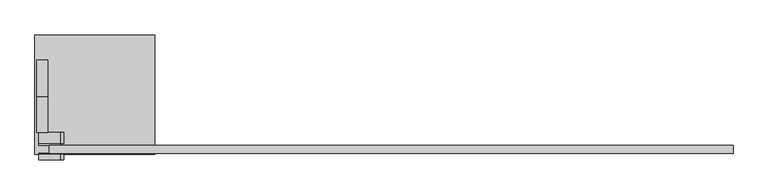
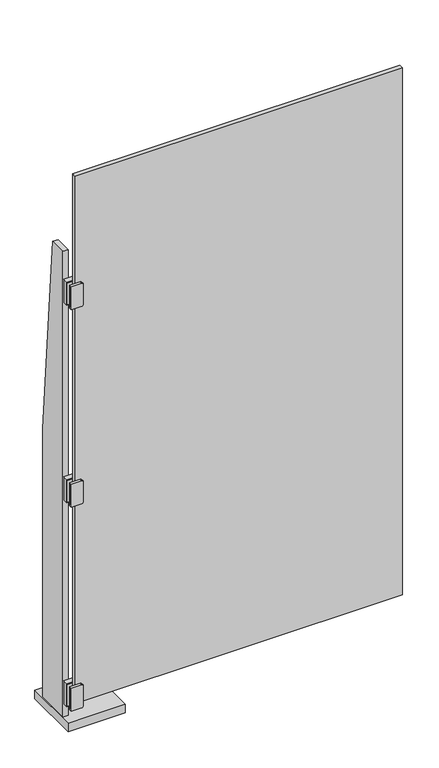
"""IFC4 building model written with IfcOpenShell, lengths in millimetres: plate geometry."""

from ifc_helpers import new_model, si_unit, point, frame, frame_2d, origin, origin_with_axes, place, context, project, spatial, polyline, circle_curve, trimmed, segment, composite_curve, outline, extrude, source, transform, mapped, element, save


def plate_76a5a54a(model_context):
    return source(origin(), model_context, "Body", "SweptSolid", [
        extrude(outline(polyline([(50.8, 1066.8), (50.8, 0.0), (-76.2, 0.0), (-76.2, 1828.8), (-12.7, 1828.8), (50.8, 1066.8)])), frame((-619.1250002, 0.0, 0.0), z_axis=(1.0, 0.0, 0.0), x_axis=(0.0, 1.0, 0.0)), (0.0, 0.0, 1.0), 19.05),
        extrude(outline(composite_curve([segment(polyline([(168.275, -615.9500002), (85.725, -615.9500002), (85.725, -577.8500002)]), True, "CONTINUOUS"), segment(trimmed(circle_curve(frame_2d((88.9, -577.8500002)), 3.175), [point((85.725, -577.8500002))], [point((88.9, -574.6750002))], False, "CARTESIAN"), True, "CONTINUOUS"), segment(polyline([(88.9, -574.6750002), (165.1, -574.6750002)]), True, "CONTINUOUS"), segment(trimmed(circle_curve(frame_2d((165.1, -577.8500002)), 3.175), [point((165.1, -574.6750002))], [point((168.275, -577.8500002))], False, "CARTESIAN"), True, "CONTINUOUS"), segment(polyline([(168.275, -577.8500002), (168.275, -615.9500002)]), True, "CONTINUOUS")], self_intersect=False)), frame((0.0, -114.3, 0.0), z_axis=(0.0, 1.0, 0.0), x_axis=(0.0, 0.0, 1.0)), (0.0, 0.0, 1.0), 1.5875),
        extrude(outline(composite_curve([segment(polyline([(168.275, -615.9500002), (85.725, -615.9500002), (85.725, -577.8500002)]), True, "CONTINUOUS"), segment(trimmed(circle_curve(frame_2d((88.9, -577.8500002)), 3.175), [point((85.725, -577.8500002))], [point((88.9, -574.6750002))], False, "CARTESIAN"), True, "CONTINUOUS"), segment(polyline([(88.9, -574.6750002), (165.1, -574.6750002)]), True, "CONTINUOUS"), segment(trimmed(circle_curve(frame_2d((165.1, -577.8500002)), 3.175), [point((165.1, -574.6750002))], [point((168.275, -577.8500002))], False, "CARTESIAN"), True, "CONTINUOUS"), segment(polyline([(168.275, -577.8500002), (168.275, -615.9500002)]), True, "CONTINUOUS")], self_intersect=False)), frame((0.0, -98.425, 0.0), z_axis=(0.0, 1.0, 0.0), x_axis=(0.0, 0.0, 1.0)), (0.0, 0.0, 1.0), 3.175),
        extrude(outline(composite_curve([segment(trimmed(circle_curve(frame_2d((165.1, -577.8500002)), 6.35), [point((165.1, -571.5000002))], [point((171.45, -577.8500002))], False, "CARTESIAN"), True, "CONTINUOUS"), segment(polyline([(171.45, -577.8500002), (171.45, -615.9500002), (82.55, -615.9500002), (82.55, -577.8500002)]), True, "CONTINUOUS"), segment(trimmed(circle_curve(frame_2d((88.9, -577.8500002)), 6.35), [point((82.55, -577.8500002))], [point((88.9, -571.5000002))], False, "CARTESIAN"), True, "CONTINUOUS"), segment(polyline([(88.9, -571.5000002), (165.1, -571.5000002)]), True, "CONTINUOUS")], self_intersect=False)), frame((0.0, -123.825, 0.0), z_axis=(0.0, 1.0, 0.0), x_axis=(0.0, 0.0, 1.0)), (0.0, 0.0, 1.0), 9.525),
        extrude(outline(composite_curve([segment(trimmed(circle_curve(frame_2d((165.1, -577.8500002)), 6.35), [point((165.1, -571.5000002))], [point((171.45, -577.8500002))], False, "CARTESIAN"), True, "CONTINUOUS"), segment(polyline([(171.45, -577.8500002), (171.45, -615.9500002), (82.55, -615.9500002), (82.55, -577.8500002)]), True, "CONTINUOUS"), segment(trimmed(circle_curve(frame_2d((88.9, -577.8500002)), 6.35), [point((82.55, -577.8500002))], [point((88.9, -571.5000002))], False, "CARTESIAN"), True, "CONTINUOUS"), segment(polyline([(88.9, -571.5000002), (165.1, -571.5000002)]), True, "CONTINUOUS")], self_intersect=False)), frame((0.0, -95.25, 0.0), z_axis=(0.0, 1.0, 0.0), x_axis=(0.0, 0.0, 1.0)), (0.0, 0.0, 1.0), 19.05),
        extrude(outline(polyline([(-412.7500002, 95.25), (-412.7500002, -114.3), (-622.3000002, -114.3), (-622.3000002, 95.25), (-412.7500002, 95.25)])), origin_with_axes(), (0.0, 0.0, 1.0), 31.75),
        extrude(outline(composite_curve([segment(polyline([(1717.675, -615.9500002), (1635.125, -615.9500002), (1635.125, -577.8500002)]), True, "CONTINUOUS"), segment(trimmed(circle_curve(frame_2d((1638.3, -577.8500002)), 3.175), [point((1635.125, -577.8500002))], [point((1638.3, -574.6750002))], False, "CARTESIAN"), True, "CONTINUOUS"), segment(polyline([(1638.3, -574.6750002), (1714.5, -574.6750002)]), True, "CONTINUOUS"), segment(trimmed(circle_curve(frame_2d((1714.5, -577.8500002)), 3.175), [point((1714.5, -574.6750002))], [point((1717.675, -577.8500002))], False, "CARTESIAN"), True, "CONTINUOUS"), segment(polyline([(1717.675, -577.8500002), (1717.675, -615.9500002)]), True, "CONTINUOUS")], self_intersect=False)), frame((0.0, -114.3, 0.0), z_axis=(0.0, 1.0, 0.0), x_axis=(0.0, 0.0, 1.0)), (0.0, 0.0, 1.0), 1.5875),
        extrude(outline(composite_curve([segment(polyline([(1717.675, -615.9500002), (1635.125, -615.9500002), (1635.125, -577.8500002)]), True, "CONTINUOUS"), segment(trimmed(circle_curve(frame_2d((1638.3, -577.8500002)), 3.175), [point((1635.125, -577.8500002))], [point((1638.3, -574.6750002))], False, "CARTESIAN"), True, "CONTINUOUS"), segment(polyline([(1638.3, -574.6750002), (1714.5, -574.6750002)]), True, "CONTINUOUS"), segment(trimmed(circle_curve(frame_2d((1714.5, -577.8500002)), 3.175), [point((1714.5, -574.6750002))], [point((1717.675, -577.8500002))], False, "CARTESIAN"), True, "CONTINUOUS"), segment(polyline([(1717.675, -577.8500002), (1717.675, -615.9500002)]), True, "CONTINUOUS")], self_intersect=False)), frame((0.0, -98.425, 0.0), z_axis=(0.0, 1.0, 0.0), x_axis=(0.0, 0.0, 1.0)), (0.0, 0.0, 1.0), 3.175),
        extrude(outline(composite_curve([segment(trimmed(circle_curve(frame_2d((1714.5, -577.8500002)), 6.35), [point((1714.5, -571.5000002))], [point((1720.85, -577.8500002))], False, "CARTESIAN"), True, "CONTINUOUS"), segment(polyline([(1720.85, -577.8500002), (1720.85, -615.9500002), (1631.95, -615.9500002), (1631.95, -577.8500002)]), True, "CONTINUOUS"), segment(trimmed(circle_curve(frame_2d((1638.3, -577.8500002)), 6.35), [point((1631.95, -577.8500002))], [point((1638.3, -571.5000002))], False, "CARTESIAN"), True, "CONTINUOUS"), segment(polyline([(1638.3, -571.5000002), (1714.5, -571.5000002)]), True, "CONTINUOUS")], self_intersect=False)), frame((0.0, -123.825, 0.0), z_axis=(0.0, 1.0, 0.0), x_axis=(0.0, 0.0, 1.0)), (0.0, 0.0, 1.0), 9.525),
        extrude(outline(composite_curve([segment(trimmed(circle_curve(frame_2d((1714.5, -577.8500002)), 6.35), [point((1714.5, -571.5000002))], [point((1720.85, -577.8500002))], False, "CARTESIAN"), True, "CONTINUOUS"), segment(polyline([(1720.85, -577.8500002), (1720.85, -615.9500002), (1631.95, -615.9500002), (1631.95, -577.8500002)]), True, "CONTINUOUS"), segment(trimmed(circle_curve(frame_2d((1638.3, -577.8500002)), 6.35), [point((1631.95, -577.8500002))], [point((1638.3, -571.5000002))], False, "CARTESIAN"), True, "CONTINUOUS"), segment(polyline([(1638.3, -571.5000002), (1714.5, -571.5000002)]), True, "CONTINUOUS")], self_intersect=False)), frame((0.0, -95.25, 0.0), z_axis=(0.0, 1.0, 0.0), x_axis=(0.0, 0.0, 1.0)), (0.0, 0.0, 1.0), 19.05),
        extrude(outline(composite_curve([segment(polyline([(955.675, -615.9500002), (873.125, -615.9500002), (873.125, -577.8500002)]), True, "CONTINUOUS"), segment(trimmed(circle_curve(frame_2d((876.3, -577.8500002)), 3.175), [point((873.125, -577.8500002))], [point((876.3, -574.6750002))], False, "CARTESIAN"), True, "CONTINUOUS"), segment(polyline([(876.3, -574.6750002), (952.5, -574.6750002)]), True, "CONTINUOUS"), segment(trimmed(circle_curve(frame_2d((952.5, -577.8500002)), 3.175), [point((952.5, -574.6750002))], [point((955.675, -577.8500002))], False, "CARTESIAN"), True, "CONTINUOUS"), segment(polyline([(955.675, -577.8500002), (955.675, -615.9500002)]), True, "CONTINUOUS")], self_intersect=False)), frame((0.0, -114.3, 0.0), z_axis=(0.0, 1.0, 0.0), x_axis=(0.0, 0.0, 1.0)), (0.0, 0.0, 1.0), 1.5875),
        extrude(outline(composite_curve([segment(polyline([(955.675, -615.9500002), (873.125, -615.9500002), (873.125, -577.8500002)]), True, "CONTINUOUS"), segment(trimmed(circle_curve(frame_2d((876.3, -577.8500002)), 3.175), [point((873.125, -577.8500002))], [point((876.3, -574.6750002))], False, "CARTESIAN"), True, "CONTINUOUS"), segment(polyline([(876.3, -574.6750002), (952.5, -574.6750002)]), True, "CONTINUOUS"), segment(trimmed(circle_curve(frame_2d((952.5, -577.8500002)), 3.175), [point((952.5, -574.6750002))], [point((955.675, -577.8500002))], False, "CARTESIAN"), True, "CONTINUOUS"), segment(polyline([(955.675, -577.8500002), (955.675, -615.9500002)]), True, "CONTINUOUS")], self_intersect=False)), frame((0.0, -98.425, 0.0), z_axis=(0.0, 1.0, 0.0), x_axis=(0.0, 0.0, 1.0)), (0.0, 0.0, 1.0), 3.175),
        extrude(outline(composite_curve([segment(trimmed(circle_curve(frame_2d((952.5, -577.8500002)), 6.35), [point((952.5, -571.5000002))], [point((958.85, -577.8500002))], False, "CARTESIAN"), True, "CONTINUOUS"), segment(polyline([(958.85, -577.8500002), (958.85, -615.9500002), (869.95, -615.9500002), (869.95, -577.8500002)]), True, "CONTINUOUS"), segment(trimmed(circle_curve(frame_2d((876.3, -577.8500002)), 6.35), [point((869.95, -577.8500002))], [point((876.3, -571.5000002))], False, "CARTESIAN"), True, "CONTINUOUS"), segment(polyline([(876.3, -571.5000002), (952.5, -571.5000002)]), True, "CONTINUOUS")], self_intersect=False)), frame((0.0, -123.825, 0.0), z_axis=(0.0, 1.0, 0.0), x_axis=(0.0, 0.0, 1.0)), (0.0, 0.0, 1.0), 9.525),
        extrude(outline(composite_curve([segment(trimmed(circle_curve(frame_2d((952.5, -577.8500002)), 6.35), [point((952.5, -571.5000002))], [point((958.85, -577.8500002))], False, "CARTESIAN"), True, "CONTINUOUS"), segment(polyline([(958.85, -577.8500002), (958.85, -615.9500002), (869.95, -615.9500002), (869.95, -577.8500002)]), True, "CONTINUOUS"), segment(trimmed(circle_curve(frame_2d((876.3, -577.8500002)), 6.35), [point((869.95, -577.8500002))], [point((876.3, -571.5000002))], False, "CARTESIAN"), True, "CONTINUOUS"), segment(polyline([(876.3, -571.5000002), (952.5, -571.5000002)]), True, "CONTINUOUS")], self_intersect=False)), frame((0.0, -95.25, 0.0), z_axis=(0.0, 1.0, 0.0), x_axis=(0.0, 0.0, 1.0)), (0.0, 0.0, 1.0), 19.05),
        extrude(outline(polyline([(600.0750002, -98.425), (600.0750002, -112.7125), (-596.9000002, -112.7125), (-596.9000002, -98.425), (600.0750002, -98.425)])), frame((0.0, 0.0, 98.425), z_axis=(0.0, 0.0, 1.0), x_axis=(1.0, 0.0, 0.0)), (0.0, 0.0, 1.0), 2035.175),
    ])


if __name__ == "__main__":
    model = new_model("IFC4")
    model_context = context("Model", 3, world=origin())
    ifc_project = project(units=[si_unit("LENGTHUNIT", "METRE", prefix="MILLI")], contexts=[model_context])
    site = spatial("IfcSite", under=ifc_project)
    building = spatial("IfcBuilding", under=site)
    placement = place(None, origin())
    plate_shape = plate_76a5a54a(model_context)
    element("IfcPlate", 1, at=placement, inside=building, context=model_context, shape_type="MappedRepresentation", body=[
        mapped(plate_shape, transform((0.0, 0.0, 0.0), x_axis=(1.0, 0.0, 0.0), y_axis=(0.0, 1.0, 0.0), z_axis=(0.0, 0.0, 1.0))),
    ])
    save(model, "model.ifc")
